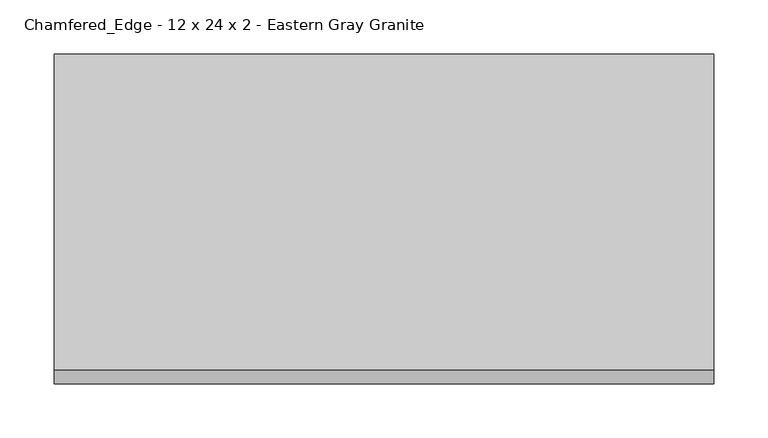
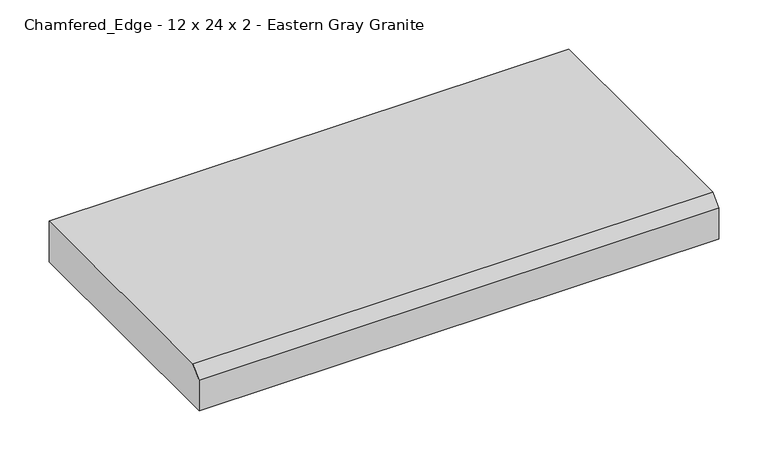
"""IFC4 building model written with IfcOpenShell, lengths in millimetres: proxy geometry, Chamfered_Edge - 12 x 24 x 2 - Eastern Gray Granite."""

import ifcopenshell
import ifcopenshell.guid

model = None  # the IFC model being written
_history = None  # IfcOwnerHistory: only IFC2X3 demands one
_inside = {}  # id of a spatial element -> (the spatial element, [elements in it])
_under = {}  # id of a project, library or spatial element -> (it, [spatial elements below it])
_declared = {}  # id of a project -> (the project, [libraries it declares])
_typed = {}  # id of a type object -> (the type object, [elements of that type])
_made_of = {}  # id of a material, layer set ... -> (it, [elements and type objects made of it])


def new_model(schema):
    """Start an empty IFC model of exactly this schema.

    Asked for "IFC4X3", IfcOpenShell would pick the latest addendum, in which some entities
    have other attributes; the version numbers below select the first issue.
    IFC2X3 requires an IfcOwnerHistory on every rooted entity: one is made here for all.
    """
    global model, _history
    if schema == "IFC4X3":
        model = ifcopenshell.file(schema_version=(4, 3, 0, 0))
    else:
        model = ifcopenshell.file(schema=schema)
    _inside.clear()
    _under.clear()
    _declared.clear()
    _typed.clear()
    _made_of.clear()
    _history = None
    if model.schema == "IFC2X3":
        org = make("IfcOrganization", Name="unknown")
        user = make(
            "IfcPersonAndOrganization",
            ThePerson=make("IfcPerson", FamilyName="unknown"),
            TheOrganization=org,
        )
        app = make(
            "IfcApplication",
            ApplicationDeveloper=org,
            Version="unknown",
            ApplicationFullName="unknown",
            ApplicationIdentifier="unknown",
        )
        _history = make(
            "IfcOwnerHistory",
            OwningUser=user,
            OwningApplication=app,
            ChangeAction="ADDED",
            CreationDate=0,
        )
    return model


def make(cls, **values):
    """One entity of the class cls with the attributes given. An attribute that is None is left unset."""
    return model.create_entity(
        cls, **{name: value for name, value in values.items() if value is not None}
    )


def rooted(cls, **values):
    """An entity with a GlobalId (a new one), such as an element, a storey or a relation."""
    return make(cls, GlobalId=ifcopenshell.guid.new(), OwnerHistory=_history, **values)


def si_unit(unit_type, name, prefix=None):
    """IfcSIUnit, for example si_unit("LENGTHUNIT", "METRE", prefix="MILLI")."""
    return make("IfcSIUnit", UnitType=unit_type, Prefix=prefix, Name=name)


def assignment(units):
    """IfcUnitAssignment: the units of a project."""
    return None if units is None else make("IfcUnitAssignment", Units=units)


def point(xyz):
    """IfcCartesianPoint."""
    return None if xyz is None else make("IfcCartesianPoint", Coordinates=xyz)


def direction(xyz):
    """IfcDirection."""
    return None if xyz is None else make("IfcDirection", DirectionRatios=xyz)


def frame(location, z_axis=None, x_axis=None):
    """IfcAxis2Placement3D, a coordinate frame: its origin and axes. An axis left out is left unset."""
    return make(
        "IfcAxis2Placement3D",
        Location=point(location),
        Axis=direction(z_axis),
        RefDirection=direction(x_axis),
    )


def origin():
    """The frame at (0, 0, 0) with its axes left unset."""
    return frame((0.0, 0.0, 0.0))


def place(relative_to, where):
    """IfcLocalPlacement: puts the frame where relative to a parent placement (None: the world)."""
    return make(
        "IfcLocalPlacement", PlacementRelTo=relative_to, RelativePlacement=where
    )


def context(
    kind, dimensions, precision=None, world=None, true_north=None, identifier=None
):
    """IfcGeometricRepresentationContext, for example the 3D "Model" context."""
    return make(
        "IfcGeometricRepresentationContext",
        ContextIdentifier=identifier,
        ContextType=kind,
        CoordinateSpaceDimension=dimensions,
        Precision=precision,
        WorldCoordinateSystem=world,
        TrueNorth=true_north,
    )


def project(units=None, contexts=None):
    """IfcProject with its units and contexts."""
    return rooted(
        "IfcProject",
        Name="project",
        RepresentationContexts=contexts,
        UnitsInContext=assignment(units),
    )


def spatial(cls, under=None, at=None, **own):
    """A site, building, storey or space (cls), placed at a placement, below another one or the project."""
    s = rooted(cls, ObjectPlacement=at, **own)
    if under is not None:
        _under.setdefault(under.id(), (under, []))[1].append(s)
    return s


def polyline(points):
    """IfcPolyline through the points."""
    return make("IfcPolyline", Points=[point(p) for p in points])


def outline(outer, holes=None, kind="AREA"):
    """IfcArbitraryClosedProfileDef: a profile drawn as a closed curve; with holes, ...WithVoids."""
    if holes is None:
        return make("IfcArbitraryClosedProfileDef", ProfileType=kind, OuterCurve=outer)
    return make(
        "IfcArbitraryProfileDefWithVoids",
        ProfileType=kind,
        OuterCurve=outer,
        InnerCurves=holes,
    )


def extrude(swept, where, along, depth):
    """IfcExtrudedAreaSolid: the profile swept, set in the frame where, extruded along a direction by depth."""
    return make(
        "IfcExtrudedAreaSolid",
        SweptArea=swept,
        Position=where,
        ExtrudedDirection=direction(along),
        Depth=depth,
    )


def shape(context_of_items, identifier, shape_type, items):
    """IfcShapeRepresentation: the items that make up one representation, for example the "Body"."""
    return make(
        "IfcShapeRepresentation",
        ContextOfItems=context_of_items,
        RepresentationIdentifier=identifier,
        RepresentationType=shape_type,
        Items=items,
    )


def source(mapping_origin, context_of_items, identifier, shape_type, items):
    """IfcRepresentationMap: a shape defined once, which mapped items show again and again."""
    return make(
        "IfcRepresentationMap",
        MappingOrigin=mapping_origin,
        MappedRepresentation=shape(context_of_items, identifier, shape_type, items),
    )


def transform(
    local_origin,
    x_axis=None,
    y_axis=None,
    z_axis=None,
    scale=None,
    scale2=None,
    scale3=None,
    uniform=True,
):
    """IfcCartesianTransformationOperator3D, or its non-uniform kind. x_axis, y_axis, z_axis: its Axis1, 2, 3."""
    if uniform:
        return make(
            "IfcCartesianTransformationOperator3D",
            Axis1=direction(x_axis),
            Axis2=direction(y_axis),
            LocalOrigin=point(local_origin),
            Scale=scale,
            Axis3=direction(z_axis),
        )
    return make(
        "IfcCartesianTransformationOperator3DnonUniform",
        Axis1=direction(x_axis),
        Axis2=direction(y_axis),
        LocalOrigin=point(local_origin),
        Scale=scale,
        Axis3=direction(z_axis),
        Scale2=scale2,
        Scale3=scale3,
    )


def mapped(mapping_source, mapping_target):
    """IfcMappedItem: shows the shape of a source again, moved by a transform."""
    return make(
        "IfcMappedItem", MappingSource=mapping_source, MappingTarget=mapping_target
    )


def made_of(thing, what):
    """Note that an element or type object is made of a material, layer set ...; save() writes the relation."""
    if what is not None:
        _made_of.setdefault(what.id(), (what, []))[1].append(thing)
    return thing


def element(
    cls,
    number,
    at=None,
    inside=None,
    cuts=None,
    type_object=None,
    material=None,
    context=None,
    identifier="Body",
    shape_type=None,
    held_by="IfcProductDefinitionShape",
    body=None,
    shapes=None,
    **own,
):
    """One element of the class cls, such as IfcWall. Its Tag is "e" and its number.

    at: its placement. inside: the storey or other place that contains it. cuts: it is an
    opening in that element (IfcRelVoidsElement). A single representation is given by context,
    identifier, shape_type and body (its items); several are given by shapes. held_by: the class
    of the entity that holds the representations. save() writes the other relations.
    """
    e = rooted(cls, Tag="e%d" % number, ObjectPlacement=at, **own)
    if body is not None:
        shapes = [shape(context, identifier, shape_type, body)]
    if shapes is not None:
        e.Representation = make(held_by, Representations=shapes)
    if inside is not None:
        _inside.setdefault(inside.id(), (inside, []))[1].append(e)
    if cuts is not None:
        rooted(
            "IfcRelVoidsElement", RelatingBuildingElement=cuts, RelatedOpeningElement=e
        )
    if type_object is not None:
        _typed.setdefault(type_object.id(), (type_object, []))[1].append(e)
    return made_of(e, material)


def aggregate(whole, parts):
    """IfcRelAggregates: a whole, such as a stair, and the parts it consists of."""
    return rooted("IfcRelAggregates", RelatingObject=whole, RelatedObjects=parts)


def save(model, path):
    """Write the relations noted so far, then the file.

    IfcRelAggregates (storeys below a building ...), IfcRelContainedInSpatialStructure (elements
    in a storey), IfcRelDefinesByType, IfcRelAssociatesMaterial and IfcRelDeclares: one each for
    every whole, place, type object, material and project.
    """
    for whole, parts in _under.values():
        aggregate(whole, parts)
    for where, things in _inside.values():
        rooted(
            "IfcRelContainedInSpatialStructure",
            RelatedElements=things,
            RelatingStructure=where,
        )
    for kind, things in _typed.values():
        rooted("IfcRelDefinesByType", RelatedObjects=things, RelatingType=kind)
    for what, things in _made_of.values():
        rooted("IfcRelAssociatesMaterial", RelatedObjects=things, RelatingMaterial=what)
    for by, libraries in _declared.values():
        rooted("IfcRelDeclares", RelatingContext=by, RelatedDefinitions=libraries)
    model.write(path)


def chamfered_edge_12_x_24_x_2_eastern_gray_granite_4714f9c0(model_context):
    return source(origin(), model_context, "Body", "SweptSolid", [
        extrude(outline(polyline([(-304.8, 0.0), (-304.8, 38.1), (-292.1, 50.8), (0.0, 50.8), (0.0, 0.0), (-304.8, 0.0)])), frame((0.0, 0.0, 0.0), z_axis=(1.0, 0.0, 0.0), x_axis=(0.0, 1.0, 0.0)), (0.0, 0.0, 1.0), 609.6),
    ])


if __name__ == "__main__":
    model = new_model("IFC4")
    model_context = context("Model", 3, world=origin())
    ifc_project = project(units=[si_unit("LENGTHUNIT", "METRE", prefix="MILLI")], contexts=[model_context])
    site = spatial("IfcSite", under=ifc_project)
    building = spatial("IfcBuilding", under=site)
    placement = place(None, origin())
    chamfered_edge_12_x_24_x_2_eastern_gray_granite_shape = chamfered_edge_12_x_24_x_2_eastern_gray_granite_4714f9c0(model_context)
    element("IfcBuildingElementProxy", 1, Name="Chamfered_Edge - 12 x 24 x 2 - Eastern Gray Granite", ObjectType="Chamfered_Edge - 12 x 24 x 2 - Eastern Gray Granite", at=placement, inside=building, context=model_context, shape_type="MappedRepresentation", body=[
        mapped(chamfered_edge_12_x_24_x_2_eastern_gray_granite_shape, transform((0.0, 0.0, 0.0), x_axis=(1.0, 0.0, 0.0), y_axis=(0.0, 1.0, 0.0), z_axis=(0.0, 0.0, 1.0))),
    ])
    save(model, "model.ifc")
